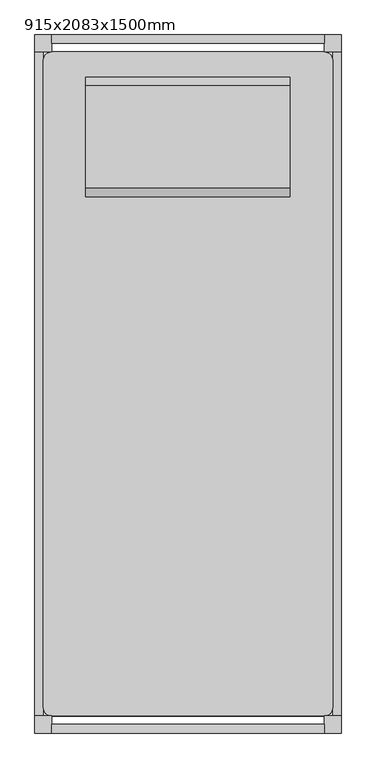
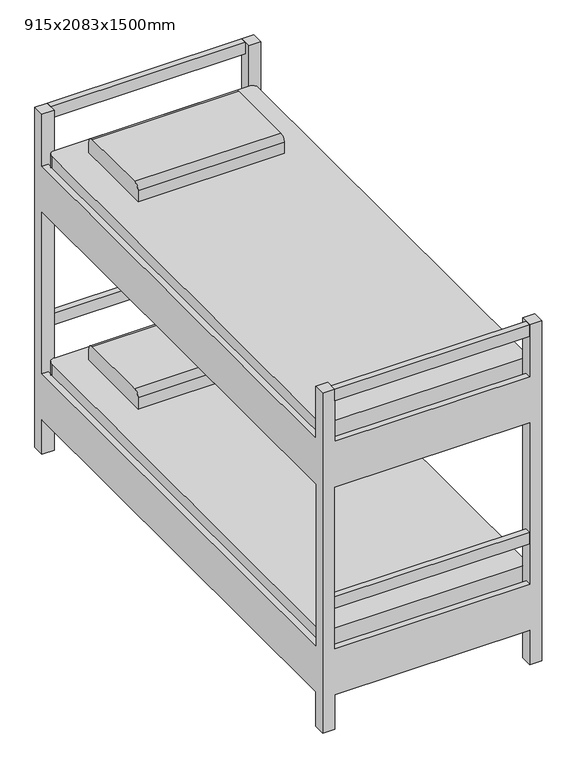
"""IFC4 building model written with IfcOpenShell, lengths in millimetres: furniture geometry, 915x2083x1500mm."""

from ifc_helpers import new_model, si_unit, point, frame, frame_2d, origin, place, context, project, spatial, polyline, circle_curve, trimmed, segment, composite_curve, outline, extrude, faceted_brep, source, transform, mapped, element, save


def furniture_915x2083x1500mm_72938ae6(model_context):
    return source(origin(), model_context, "Body", "SolidModel", [
        extrude(outline(composite_curve([segment(trimmed(circle_curve(frame_2d((815.1819672, 574.3065574)), 25.4), [point((815.1819672, 599.7065574))], [point((840.5819672, 574.3065574))], False, "CARTESIAN"), True, "CONTINUOUS"), segment(polyline([(840.5819672, 574.3065574), (840.5819672, -1356.2934426)]), True, "CONTINUOUS"), segment(trimmed(circle_curve(frame_2d((815.1819672, -1356.2934426)), 25.4), [point((840.5819672, -1356.2934426))], [point((815.1819672, -1381.6934426))], False, "CARTESIAN"), True, "CONTINUOUS"), segment(polyline([(815.1819672, -1381.6934426), (1.7819672, -1381.6934426)]), True, "CONTINUOUS"), segment(trimmed(circle_curve(frame_2d((1.7819672, -1356.2934426)), 25.4), [point((1.7819672, -1381.6934426))], [point((-23.6180328, -1356.2934426))], False, "CARTESIAN"), True, "CONTINUOUS"), segment(polyline([(-23.6180328, -1356.2934426), (-23.6180328, 574.3065574)]), True, "CONTINUOUS"), segment(trimmed(circle_curve(frame_2d((1.7819672, 574.3065574)), 25.4), [point((-23.6180328, 574.3065574))], [point((1.7819672, 599.7065574))], False, "CARTESIAN"), True, "CONTINUOUS"), segment(polyline([(1.7819672, 599.7065574), (815.1819672, 599.7065574)]), True, "CONTINUOUS")], self_intersect=False)), frame((0.0, 0.0, 203.2), z_axis=(0.0, 0.0, 1.0), x_axis=(1.0, 0.0, 0.0)), (0.0, 0.0, 1.0), 203.2),
        extrude(outline(composite_curve([segment(trimmed(circle_curve(frame_2d((815.1819672, 574.3065574)), 25.4), [point((815.1819672, 599.7065574))], [point((840.5819672, 574.3065574))], False, "CARTESIAN"), True, "CONTINUOUS"), segment(polyline([(840.5819672, 574.3065574), (840.5819672, -1356.2934426)]), True, "CONTINUOUS"), segment(trimmed(circle_curve(frame_2d((815.1819672, -1356.2934426)), 25.4), [point((840.5819672, -1356.2934426))], [point((815.1819672, -1381.6934426))], False, "CARTESIAN"), True, "CONTINUOUS"), segment(polyline([(815.1819672, -1381.6934426), (1.7819672, -1381.6934426)]), True, "CONTINUOUS"), segment(trimmed(circle_curve(frame_2d((1.7819672, -1356.2934426)), 25.4), [point((1.7819672, -1381.6934426))], [point((-23.6180328, -1356.2934426))], False, "CARTESIAN"), True, "CONTINUOUS"), segment(polyline([(-23.6180328, -1356.2934426), (-23.6180328, 574.3065574)]), True, "CONTINUOUS"), segment(trimmed(circle_curve(frame_2d((1.7819672, 574.3065574)), 25.4), [point((-23.6180328, 574.3065574))], [point((1.7819672, 599.7065574))], False, "CARTESIAN"), True, "CONTINUOUS"), segment(polyline([(1.7819672, 599.7065574), (815.1819672, 599.7065574)]), True, "CONTINUOUS")], self_intersect=False)), frame((0.0, 0.0, 1119.0), z_axis=(0.0, 0.0, 1.0), x_axis=(1.0, 0.0, 0.0)), (0.0, 0.0, 1.0), 203.2),
        extrude(outline(polyline([(815.1819672, 650.5065574), (815.1819672, 625.1065574), (1.7819672, 625.1065574), (1.7819672, 650.5065574), (815.1819672, 650.5065574)])), frame((0.0, 0.0, 1449.2), z_axis=(0.0, 0.0, 1.0), x_axis=(1.0, 0.0, 0.0)), (0.0, 0.0, 1.0), 50.8),
        extrude(outline(polyline([(815.1819672, -1432.4934426), (1.7819672, -1432.4934426), (1.7819672, -1407.0934426), (815.1819672, -1407.0934426), (815.1819672, -1432.4934426)])), frame((0.0, 0.0, 1449.2), z_axis=(0.0, 0.0, 1.0), x_axis=(1.0, 0.0, 0.0)), (0.0, 0.0, 1.0), 50.8),
        extrude(outline(polyline([(815.1819672, -1432.4934426), (1.7819672, -1432.4934426), (1.7819672, -1407.0934426), (815.1819672, -1407.0934426), (815.1819672, -1432.4934426)])), frame((0.0, 0.0, 533.4), z_axis=(0.0, 0.0, 1.0), x_axis=(1.0, 0.0, 0.0)), (0.0, 0.0, 1.0), 50.8),
        extrude(outline(polyline([(815.1819672, 650.5065574), (815.1819672, 625.1065574), (1.7819672, 625.1065574), (1.7819672, 650.5065574), (815.1819672, 650.5065574)])), frame((0.0, 0.0, 533.4), z_axis=(0.0, 0.0, 1.0), x_axis=(1.0, 0.0, 0.0)), (0.0, 0.0, 1.0), 50.8),
        extrude(outline(composite_curve([segment(polyline([(523.5065574, 406.4), (167.9065574, 406.4), (167.9065574, 457.2)]), True, "CONTINUOUS"), segment(trimmed(circle_curve(frame_2d((193.3065574, 457.2)), 25.4), [point((167.9065574, 457.2))], [point((193.3065574, 482.6))], False, "CARTESIAN"), True, "CONTINUOUS"), segment(polyline([(193.3065574, 482.6), (498.1065574, 482.6)]), True, "CONTINUOUS"), segment(trimmed(circle_curve(frame_2d((498.1065574, 457.2)), 25.4), [point((498.1065574, 482.6))], [point((523.5065574, 457.2))], False, "CARTESIAN"), True, "CONTINUOUS"), segment(polyline([(523.5065574, 457.2), (523.5065574, 406.4)]), True, "CONTINUOUS")], self_intersect=False)), frame((103.3819672, 0.0, 0.0), z_axis=(1.0, 0.0, 0.0), x_axis=(0.0, 1.0, 0.0)), (0.0, 0.0, 1.0), 610.2),
        extrude(outline(composite_curve([segment(polyline([(523.5065574, 1320.8), (167.9065574, 1320.8), (167.9065574, 1371.6)]), True, "CONTINUOUS"), segment(trimmed(circle_curve(frame_2d((193.3065574, 1371.6)), 25.4), [point((167.9065574, 1371.6))], [point((193.3065574, 1397.0))], False, "CARTESIAN"), True, "CONTINUOUS"), segment(polyline([(193.3065574, 1397.0), (498.1065574, 1397.0)]), True, "CONTINUOUS"), segment(trimmed(circle_curve(frame_2d((498.1065574, 1371.6)), 25.4), [point((498.1065574, 1397.0))], [point((523.5065574, 1371.6))], False, "CARTESIAN"), True, "CONTINUOUS"), segment(polyline([(523.5065574, 1371.6), (523.5065574, 1320.8)]), True, "CONTINUOUS")], self_intersect=False)), frame((103.3819672, 0.0, 0.0), z_axis=(1.0, 0.0, 0.0), x_axis=(0.0, 1.0, 0.0)), (0.0, 0.0, 1.0), 610.2),
        faceted_brep([(1.7819672, 650.5065574, 1500.0), (-49.0180328, 650.5065574, 1500.0), (-49.0180328, 599.7065574, 1500.0), (1.7819672, 599.7065574, 1500.0), (815.1819672, 650.5065574, 1500.0), (815.1819672, 599.7065574, 1500.0), (865.9819672, 599.7065574, 1500.0), (865.9819672, 650.5065574, 1500.0), (1.7819672, -1432.4934426, 1500.0), (1.7819672, -1381.6934426, 1500.0), (-49.0180328, -1381.6934426, 1500.0), (-49.0180328, -1432.4934426, 1500.0), (815.1819672, -1432.4934426, 1500.0), (865.9819672, -1432.4934426, 1500.0), (865.9819672, -1381.6934426, 1500.0), (815.1819672, -1381.6934426, 1500.0), (1.7819672, 650.5065574, 0.0), (1.7819672, 599.7065574, 0.0), (-49.0180328, 599.7065574, 0.0), (-49.0180328, 650.5065574, 0.0), (815.1819672, 650.5065574, 0.0), (865.9819672, 650.5065574, 0.0), (865.9819672, 599.7065574, 0.0), (815.1819672, 599.7065574, 0.0), (1.7819672, -1432.4934426, 0.0), (-49.0180328, -1432.4934426, 0.0), (-49.0180328, -1381.6934426, 0.0), (1.7819672, -1381.6934426, 0.0), (815.1819672, -1432.4934426, 0.0), (815.1819672, -1381.6934426, 0.0), (865.9819672, -1381.6934426, 0.0), (865.9819672, -1432.4934426, 0.0), (1.7819672, 650.5065574, 1271.4), (815.1819672, 650.5065574, 1271.4), (815.1819672, 650.5065574, 152.4), (1.7819672, 650.5065574, 152.4), (1.7819672, 650.5065574, 1068.2), (1.7819672, 650.5065574, 355.6), (815.1819672, 650.5065574, 355.6), (815.1819672, 650.5065574, 1068.2), (-49.0180328, 599.7065574, 152.4), (-49.0180328, -1381.6934426, 152.4), (-49.0180328, -1381.6934426, 1271.4), (-49.0180328, 599.7065574, 1271.4), (-49.0180328, -1381.6934426, 1068.2), (-49.0180328, -1381.6934426, 355.6), (-49.0180328, 599.7065574, 355.6), (-49.0180328, 599.7065574, 1068.2), (-23.6180328, 599.7065574, 1271.4), (-23.6180328, 599.7065574, 1068.2), (-23.6180328, 599.7065574, 355.6), (-23.6180328, 599.7065574, 152.4), (1.7819672, 625.1065574, 152.4), (1.7819672, 625.1065574, 355.6), (1.7819672, 625.1065574, 1068.2), (1.7819672, 625.1065574, 1271.4), (815.1819672, 625.1065574, 1271.4), (815.1819672, 625.1065574, 1068.2), (815.1819672, 625.1065574, 355.6), (815.1819672, 625.1065574, 152.4), (865.9819672, 599.7065574, 152.4), (840.5819672, 599.7065574, 152.4), (840.5819672, 599.7065574, 355.6), (865.9819672, 599.7065574, 355.6), (865.9819672, 599.7065574, 1068.2), (840.5819672, 599.7065574, 1068.2), (840.5819672, 599.7065574, 1271.4), (865.9819672, 599.7065574, 1271.4), (865.9819672, -1381.6934426, 1271.4), (865.9819672, -1381.6934426, 152.4), (865.9819672, -1381.6934426, 355.6), (865.9819672, -1381.6934426, 1068.2), (1.7819672, -1432.4934426, 1271.4), (1.7819672, -1407.0934426, 1271.4), (1.7819672, -1407.0934426, 1068.2), (1.7819672, -1432.4934426, 1068.2), (1.7819672, -1432.4934426, 355.6), (1.7819672, -1407.0934426, 355.6), (1.7819672, -1407.0934426, 152.4), (1.7819672, -1432.4934426, 152.4), (-23.6180328, -1381.6934426, 152.4), (-23.6180328, -1381.6934426, 355.6), (-23.6180328, -1381.6934426, 1068.2), (-23.6180328, -1381.6934426, 1271.4), (815.1819672, -1432.4934426, 152.4), (815.1819672, -1432.4934426, 1271.4), (815.1819672, -1432.4934426, 1068.2), (815.1819672, -1432.4934426, 355.6), (840.5819672, -1381.6934426, 1271.4), (840.5819672, -1381.6934426, 1068.2), (840.5819672, -1381.6934426, 355.6), (840.5819672, -1381.6934426, 152.4), (815.1819672, -1407.0934426, 152.4), (815.1819672, -1407.0934426, 355.6), (815.1819672, -1407.0934426, 1068.2), (815.1819672, -1407.0934426, 1271.4)], [[[0, 1, 2, 3]], [[4, 5, 6, 7]], [[8, 9, 10, 11]], [[12, 13, 14, 15]], [[16, 17, 18, 19]], [[20, 21, 22, 23]], [[24, 25, 26, 27]], [[28, 29, 30, 31]], [[1, 0, 32, 33, 4, 7, 21, 20, 34, 35, 16, 19], [36, 37, 38, 39]], [[2, 1, 19, 18, 40, 41, 26, 25, 11, 10, 42, 43], [44, 45, 46, 47]], [[3, 2, 43, 48, 49, 47, 46, 50, 51, 40, 18, 17]], [[0, 3, 17, 16, 35, 52, 53, 37, 36, 54, 55, 32]], [[5, 4, 33, 56, 57, 39, 38, 58, 59, 34, 20, 23]], [[6, 5, 23, 22, 60, 61, 62, 63, 64, 65, 66, 67]], [[21, 7, 6, 67, 68, 14, 13, 31, 30, 69, 60, 22], [64, 63, 70, 71]], [[9, 8, 72, 73, 74, 75, 76, 77, 78, 79, 24, 27]], [[10, 9, 27, 26, 41, 80, 81, 45, 44, 82, 83, 42]], [[8, 11, 25, 24, 79, 84, 28, 31, 13, 12, 85, 72], [86, 87, 76, 75]], [[15, 14, 68, 88, 89, 71, 70, 90, 91, 69, 30, 29]], [[12, 15, 29, 28, 84, 92, 93, 87, 86, 94, 95, 85]], [[33, 32, 55, 56]], [[43, 42, 83, 48]], [[68, 67, 66, 88]], [[72, 85, 95, 73]], [[36, 39, 57, 54]], [[44, 47, 49, 82]], [[64, 71, 89, 65]], [[86, 75, 74, 94]], [[56, 55, 54, 57]], [[88, 66, 65, 89]], [[73, 95, 94, 74]], [[48, 83, 82, 49]], [[38, 37, 53, 58]], [[46, 45, 81, 50]], [[70, 63, 62, 90]], [[76, 87, 93, 77]], [[35, 34, 59, 52]], [[41, 40, 51, 80]], [[60, 69, 91, 61]], [[84, 79, 78, 92]], [[90, 62, 61, 91]], [[77, 93, 92, 78]], [[50, 81, 80, 51]], [[58, 53, 52, 59]]]),
    ])


if __name__ == "__main__":
    model = new_model("IFC4")
    model_context = context("Model", 3, world=origin())
    ifc_project = project(units=[si_unit("LENGTHUNIT", "METRE", prefix="MILLI")], contexts=[model_context])
    site = spatial("IfcSite", under=ifc_project)
    building = spatial("IfcBuilding", under=site)
    placement = place(None, origin())
    furniture_915x2083x1500mm_shape = furniture_915x2083x1500mm_72938ae6(model_context)
    element("IfcFurniture", 1, ObjectType="915x2083x1500mm", at=placement, inside=building, context=model_context, shape_type="MappedRepresentation", body=[
        mapped(furniture_915x2083x1500mm_shape, transform((0.0, 0.0, 0.0), x_axis=(1.0, 0.0, 0.0), y_axis=(0.0, 1.0, 0.0), z_axis=(0.0, 0.0, 1.0))),
    ])
    save(model, "model.ifc")
